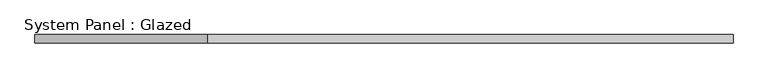
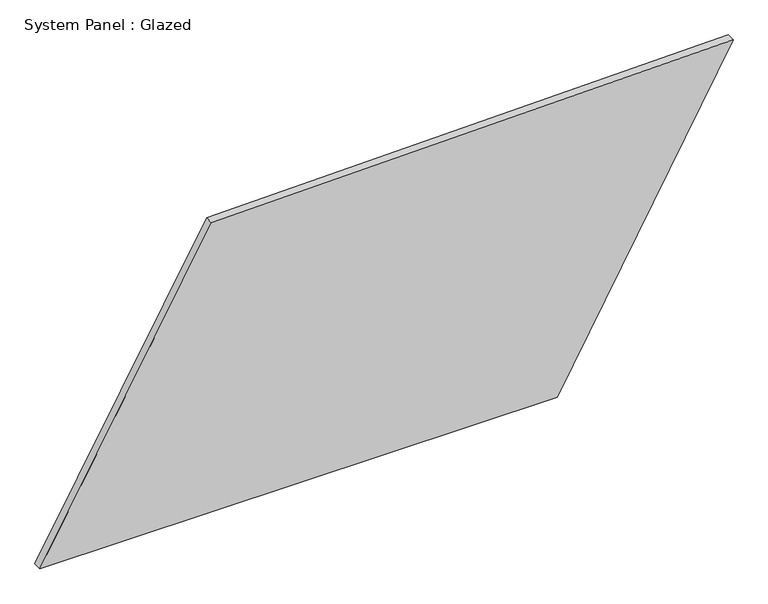
"""IFC4 building model written with IfcOpenShell, lengths in millimetres: plate geometry, System Panel : Glazed."""

import ifcopenshell
import ifcopenshell.guid

model = None  # the IFC model being written
_history = None  # IfcOwnerHistory: only IFC2X3 demands one
_inside = {}  # id of a spatial element -> (the spatial element, [elements in it])
_under = {}  # id of a project, library or spatial element -> (it, [spatial elements below it])
_declared = {}  # id of a project -> (the project, [libraries it declares])
_typed = {}  # id of a type object -> (the type object, [elements of that type])
_made_of = {}  # id of a material, layer set ... -> (it, [elements and type objects made of it])


def new_model(schema):
    """Start an empty IFC model of exactly this schema.

    Asked for "IFC4X3", IfcOpenShell would pick the latest addendum, in which some entities
    have other attributes; the version numbers below select the first issue.
    IFC2X3 requires an IfcOwnerHistory on every rooted entity: one is made here for all.
    """
    global model, _history
    if schema == "IFC4X3":
        model = ifcopenshell.file(schema_version=(4, 3, 0, 0))
    else:
        model = ifcopenshell.file(schema=schema)
    _inside.clear()
    _under.clear()
    _declared.clear()
    _typed.clear()
    _made_of.clear()
    _history = None
    if model.schema == "IFC2X3":
        org = make("IfcOrganization", Name="unknown")
        user = make(
            "IfcPersonAndOrganization",
            ThePerson=make("IfcPerson", FamilyName="unknown"),
            TheOrganization=org,
        )
        app = make(
            "IfcApplication",
            ApplicationDeveloper=org,
            Version="unknown",
            ApplicationFullName="unknown",
            ApplicationIdentifier="unknown",
        )
        _history = make(
            "IfcOwnerHistory",
            OwningUser=user,
            OwningApplication=app,
            ChangeAction="ADDED",
            CreationDate=0,
        )
    return model


def make(cls, **values):
    """One entity of the class cls with the attributes given. An attribute that is None is left unset."""
    return model.create_entity(
        cls, **{name: value for name, value in values.items() if value is not None}
    )


def rooted(cls, **values):
    """An entity with a GlobalId (a new one), such as an element, a storey or a relation."""
    return make(cls, GlobalId=ifcopenshell.guid.new(), OwnerHistory=_history, **values)


def si_unit(unit_type, name, prefix=None):
    """IfcSIUnit, for example si_unit("LENGTHUNIT", "METRE", prefix="MILLI")."""
    return make("IfcSIUnit", UnitType=unit_type, Prefix=prefix, Name=name)


def assignment(units):
    """IfcUnitAssignment: the units of a project."""
    return None if units is None else make("IfcUnitAssignment", Units=units)


def point(xyz):
    """IfcCartesianPoint."""
    return None if xyz is None else make("IfcCartesianPoint", Coordinates=xyz)


def direction(xyz):
    """IfcDirection."""
    return None if xyz is None else make("IfcDirection", DirectionRatios=xyz)


def frame(location, z_axis=None, x_axis=None):
    """IfcAxis2Placement3D, a coordinate frame: its origin and axes. An axis left out is left unset."""
    return make(
        "IfcAxis2Placement3D",
        Location=point(location),
        Axis=direction(z_axis),
        RefDirection=direction(x_axis),
    )


def origin():
    """The frame at (0, 0, 0) with its axes left unset."""
    return frame((0.0, 0.0, 0.0))


def place(relative_to, where):
    """IfcLocalPlacement: puts the frame where relative to a parent placement (None: the world)."""
    return make(
        "IfcLocalPlacement", PlacementRelTo=relative_to, RelativePlacement=where
    )


def context(
    kind, dimensions, precision=None, world=None, true_north=None, identifier=None
):
    """IfcGeometricRepresentationContext, for example the 3D "Model" context."""
    return make(
        "IfcGeometricRepresentationContext",
        ContextIdentifier=identifier,
        ContextType=kind,
        CoordinateSpaceDimension=dimensions,
        Precision=precision,
        WorldCoordinateSystem=world,
        TrueNorth=true_north,
    )


def project(units=None, contexts=None):
    """IfcProject with its units and contexts."""
    return rooted(
        "IfcProject",
        Name="project",
        RepresentationContexts=contexts,
        UnitsInContext=assignment(units),
    )


def spatial(cls, under=None, at=None, **own):
    """A site, building, storey or space (cls), placed at a placement, below another one or the project."""
    s = rooted(cls, ObjectPlacement=at, **own)
    if under is not None:
        _under.setdefault(under.id(), (under, []))[1].append(s)
    return s


def polyline(points):
    """IfcPolyline through the points."""
    return make("IfcPolyline", Points=[point(p) for p in points])


def outline(outer, holes=None, kind="AREA"):
    """IfcArbitraryClosedProfileDef: a profile drawn as a closed curve; with holes, ...WithVoids."""
    if holes is None:
        return make("IfcArbitraryClosedProfileDef", ProfileType=kind, OuterCurve=outer)
    return make(
        "IfcArbitraryProfileDefWithVoids",
        ProfileType=kind,
        OuterCurve=outer,
        InnerCurves=holes,
    )


def extrude(swept, where, along, depth):
    """IfcExtrudedAreaSolid: the profile swept, set in the frame where, extruded along a direction by depth."""
    return make(
        "IfcExtrudedAreaSolid",
        SweptArea=swept,
        Position=where,
        ExtrudedDirection=direction(along),
        Depth=depth,
    )


def shape(context_of_items, identifier, shape_type, items):
    """IfcShapeRepresentation: the items that make up one representation, for example the "Body"."""
    return make(
        "IfcShapeRepresentation",
        ContextOfItems=context_of_items,
        RepresentationIdentifier=identifier,
        RepresentationType=shape_type,
        Items=items,
    )


def source(mapping_origin, context_of_items, identifier, shape_type, items):
    """IfcRepresentationMap: a shape defined once, which mapped items show again and again."""
    return make(
        "IfcRepresentationMap",
        MappingOrigin=mapping_origin,
        MappedRepresentation=shape(context_of_items, identifier, shape_type, items),
    )


def transform(
    local_origin,
    x_axis=None,
    y_axis=None,
    z_axis=None,
    scale=None,
    scale2=None,
    scale3=None,
    uniform=True,
):
    """IfcCartesianTransformationOperator3D, or its non-uniform kind. x_axis, y_axis, z_axis: its Axis1, 2, 3."""
    if uniform:
        return make(
            "IfcCartesianTransformationOperator3D",
            Axis1=direction(x_axis),
            Axis2=direction(y_axis),
            LocalOrigin=point(local_origin),
            Scale=scale,
            Axis3=direction(z_axis),
        )
    return make(
        "IfcCartesianTransformationOperator3DnonUniform",
        Axis1=direction(x_axis),
        Axis2=direction(y_axis),
        LocalOrigin=point(local_origin),
        Scale=scale,
        Axis3=direction(z_axis),
        Scale2=scale2,
        Scale3=scale3,
    )


def mapped(mapping_source, mapping_target):
    """IfcMappedItem: shows the shape of a source again, moved by a transform."""
    return make(
        "IfcMappedItem", MappingSource=mapping_source, MappingTarget=mapping_target
    )


def made_of(thing, what):
    """Note that an element or type object is made of a material, layer set ...; save() writes the relation."""
    if what is not None:
        _made_of.setdefault(what.id(), (what, []))[1].append(thing)
    return thing


def element(
    cls,
    number,
    at=None,
    inside=None,
    cuts=None,
    type_object=None,
    material=None,
    context=None,
    identifier="Body",
    shape_type=None,
    held_by="IfcProductDefinitionShape",
    body=None,
    shapes=None,
    **own,
):
    """One element of the class cls, such as IfcWall. Its Tag is "e" and its number.

    at: its placement. inside: the storey or other place that contains it. cuts: it is an
    opening in that element (IfcRelVoidsElement). A single representation is given by context,
    identifier, shape_type and body (its items); several are given by shapes. held_by: the class
    of the entity that holds the representations. save() writes the other relations.
    """
    e = rooted(cls, Tag="e%d" % number, ObjectPlacement=at, **own)
    if body is not None:
        shapes = [shape(context, identifier, shape_type, body)]
    if shapes is not None:
        e.Representation = make(held_by, Representations=shapes)
    if inside is not None:
        _inside.setdefault(inside.id(), (inside, []))[1].append(e)
    if cuts is not None:
        rooted(
            "IfcRelVoidsElement", RelatingBuildingElement=cuts, RelatedOpeningElement=e
        )
    if type_object is not None:
        _typed.setdefault(type_object.id(), (type_object, []))[1].append(e)
    return made_of(e, material)


def aggregate(whole, parts):
    """IfcRelAggregates: a whole, such as a stair, and the parts it consists of."""
    return rooted("IfcRelAggregates", RelatingObject=whole, RelatedObjects=parts)


def save(model, path):
    """Write the relations noted so far, then the file.

    IfcRelAggregates (storeys below a building ...), IfcRelContainedInSpatialStructure (elements
    in a storey), IfcRelDefinesByType, IfcRelAssociatesMaterial and IfcRelDeclares: one each for
    every whole, place, type object, material and project.
    """
    for whole, parts in _under.values():
        aggregate(whole, parts)
    for where, things in _inside.values():
        rooted(
            "IfcRelContainedInSpatialStructure",
            RelatedElements=things,
            RelatingStructure=where,
        )
    for kind, things in _typed.values():
        rooted("IfcRelDefinesByType", RelatedObjects=things, RelatingType=kind)
    for what, things in _made_of.values():
        rooted("IfcRelAssociatesMaterial", RelatedObjects=things, RelatingMaterial=what)
    for by, libraries in _declared.values():
        rooted("IfcRelDeclares", RelatingContext=by, RelatedDefinitions=libraries)
    model.write(path)


def system_panel_glazed_e6c09d5b(model_context):
    return source(origin(), model_context, "Body", "SweptSolid", [
        extrude(outline(polyline([(0.0, -1032.7388799), (0.0, 508.4188016), (942.6817292, 1032.7388799), (910.2447182, -521.2819507), (0.0, -1032.7388799)])), frame((0.0, -49.5, 0.0), z_axis=(0.0, 1.0, 0.0), x_axis=(0.0, 0.0, 1.0)), (0.0, 0.0, 1.0), 25.0),
    ])


if __name__ == "__main__":
    model = new_model("IFC4")
    model_context = context("Model", 3, world=origin())
    ifc_project = project(units=[si_unit("LENGTHUNIT", "METRE", prefix="MILLI")], contexts=[model_context])
    site = spatial("IfcSite", under=ifc_project)
    building = spatial("IfcBuilding", under=site)
    placement = place(None, origin())
    system_panel_glazed_shape = system_panel_glazed_e6c09d5b(model_context)
    element("IfcPlate", 1, ObjectType="System Panel : Glazed", at=placement, inside=building, context=model_context, shape_type="MappedRepresentation", body=[
        mapped(system_panel_glazed_shape, transform((0.0, 0.0, 0.0), x_axis=(1.0, 0.0, 0.0), y_axis=(0.0, 1.0, 0.0), z_axis=(0.0, 0.0, 1.0))),
    ])
    save(model, "model.ifc")
